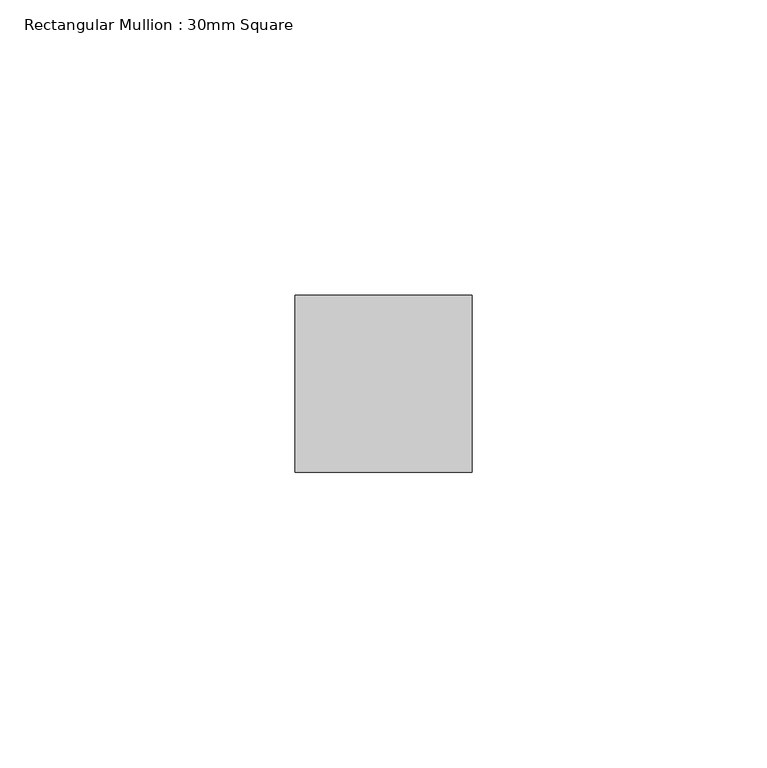
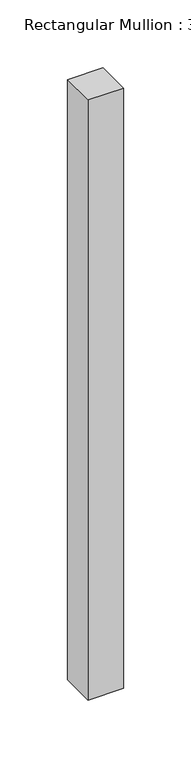
"""IFC4 building model written with IfcOpenShell, lengths in millimetres: member geometry, Rectangular Mullion : 30mm Square."""

from ifc_helpers import new_model, si_unit, frame, origin, place, context, project, spatial, polyline, outline, extrude, source, transform, mapped, element, save


def rectangular_mullion_30mm_square_16a45ee2(model_context):
    return source(origin(), model_context, "Body", "SweptSolid", [
        extrude(outline(polyline([(15.0, 15.0), (15.0, -15.0), (-15.0, -15.0), (-15.0, 15.0), (15.0, 15.0)])), frame((0.0, 0.0, -539.5856454), z_axis=(0.0, 0.0, 1.0), x_axis=(1.0, 0.0, 0.0)), (0.0, 0.0, 1.0), 539.5856454),
    ])


if __name__ == "__main__":
    model = new_model("IFC4")
    model_context = context("Model", 3, world=origin())
    ifc_project = project(units=[si_unit("LENGTHUNIT", "METRE", prefix="MILLI")], contexts=[model_context])
    site = spatial("IfcSite", under=ifc_project)
    building = spatial("IfcBuilding", under=site)
    placement = place(None, origin())
    rectangular_mullion_30mm_square_shape = rectangular_mullion_30mm_square_16a45ee2(model_context)
    element("IfcMember", 1, ObjectType="Rectangular Mullion : 30mm Square", at=placement, inside=building, context=model_context, shape_type="MappedRepresentation", body=[
        mapped(rectangular_mullion_30mm_square_shape, transform((0.0, 0.0, 0.0), x_axis=(1.0, 0.0, 0.0), y_axis=(0.0, 1.0, 0.0), z_axis=(0.0, 0.0, 1.0))),
    ])
    save(model, "model.ifc")
